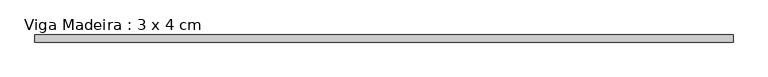
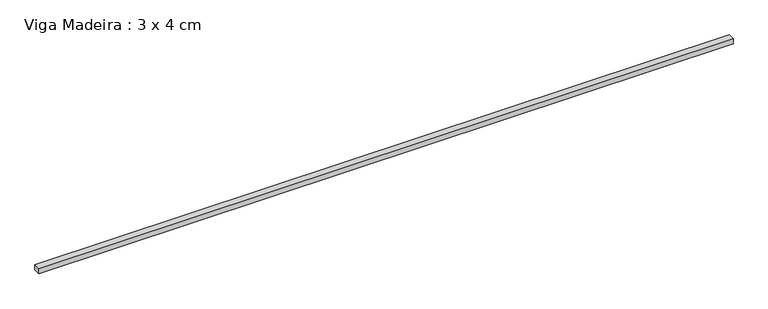
"""IFC4 building model written with IfcOpenShell, lengths in millimetres: beam geometry, Viga Madeira : 3 x 4 cm."""

from ifc_helpers import new_model, si_unit, frame, origin, place, context, project, spatial, polyline, outline, extrude, source, transform, mapped, element, save


def viga_madeira_3_x_4_cm_9f0fc4be(model_context):
    return source(origin(), model_context, "Body", "SweptSolid", [
        extrude(outline(polyline([(1966.2253767, 20.0), (1966.2253767, -20.0), (-1966.2253767, -20.0), (-1966.2253767, 20.0), (1966.2253767, 20.0)])), frame((0.0, 0.0, -15.0), z_axis=(0.0, 0.0, 1.0), x_axis=(1.0, 0.0, 0.0)), (0.0, 0.0, 1.0), 30.0),
    ])


if __name__ == "__main__":
    model = new_model("IFC4")
    model_context = context("Model", 3, world=origin())
    ifc_project = project(units=[si_unit("LENGTHUNIT", "METRE", prefix="MILLI")], contexts=[model_context])
    site = spatial("IfcSite", under=ifc_project)
    building = spatial("IfcBuilding", under=site)
    placement = place(None, origin())
    viga_madeira_3_x_4_cm_shape = viga_madeira_3_x_4_cm_9f0fc4be(model_context)
    element("IfcBeam", 1, ObjectType="Viga Madeira : 3 x 4 cm", at=placement, inside=building, context=model_context, shape_type="MappedRepresentation", body=[
        mapped(viga_madeira_3_x_4_cm_shape, transform((0.0, 0.0, 0.0), x_axis=(1.0, 0.0, 0.0), y_axis=(0.0, 1.0, 0.0), z_axis=(0.0, 0.0, 1.0))),
    ])
    save(model, "model.ifc")
